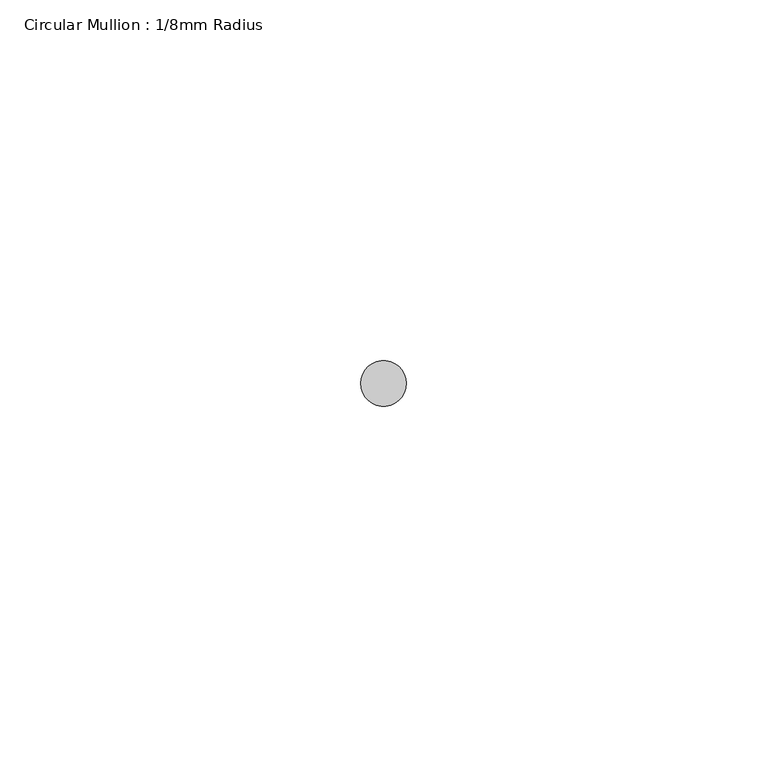
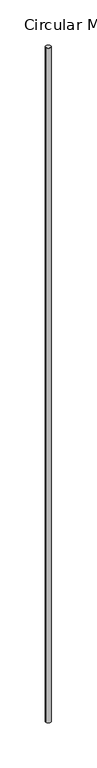
"""IFC4 building model written with IfcOpenShell, lengths in millimetres: member geometry, Circular Mullion : 1/8mm Radius."""

from ifc_helpers import new_model, si_unit, point, frame, origin, origin_2d, place, context, project, spatial, circle_curve, trimmed, segment, composite_curve, outline, extrude, source, transform, mapped, element, save


def circular_mullion_1_8mm_radius_9efa8b96(model_context):
    return source(origin(), model_context, "Body", "SweptSolid", [
        extrude(outline(composite_curve([segment(trimmed(circle_curve(origin_2d(), 3.175), [point((3.175, 0.0))], [point((-3.175, 0.0))], False, "CARTESIAN"), True, "CONTINUOUS"), segment(trimmed(circle_curve(origin_2d(), 3.175), [point((-3.175, 0.0))], [point((3.175, 0.0))], False, "CARTESIAN"), True, "CONTINUOUS")], self_intersect=False)), frame((0.0, 0.0, -927.1), z_axis=(0.0, 0.0, 1.0), x_axis=(1.0, 0.0, 0.0)), (0.0, 0.0, 1.0), 927.1),
    ])


if __name__ == "__main__":
    model = new_model("IFC4")
    model_context = context("Model", 3, world=origin())
    ifc_project = project(units=[si_unit("LENGTHUNIT", "METRE", prefix="MILLI")], contexts=[model_context])
    site = spatial("IfcSite", under=ifc_project)
    building = spatial("IfcBuilding", under=site)
    placement = place(None, origin())
    circular_mullion_1_8mm_radius_shape = circular_mullion_1_8mm_radius_9efa8b96(model_context)
    element("IfcMember", 1, ObjectType="Circular Mullion : 1/8mm Radius", at=placement, inside=building, context=model_context, shape_type="MappedRepresentation", body=[
        mapped(circular_mullion_1_8mm_radius_shape, transform((0.0, 0.0, 0.0), x_axis=(1.0, 0.0, 0.0), y_axis=(0.0, 1.0, 0.0), z_axis=(0.0, 0.0, 1.0))),
    ])
    save(model, "model.ifc")
